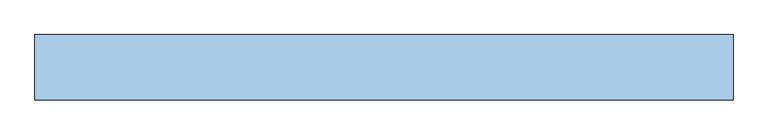
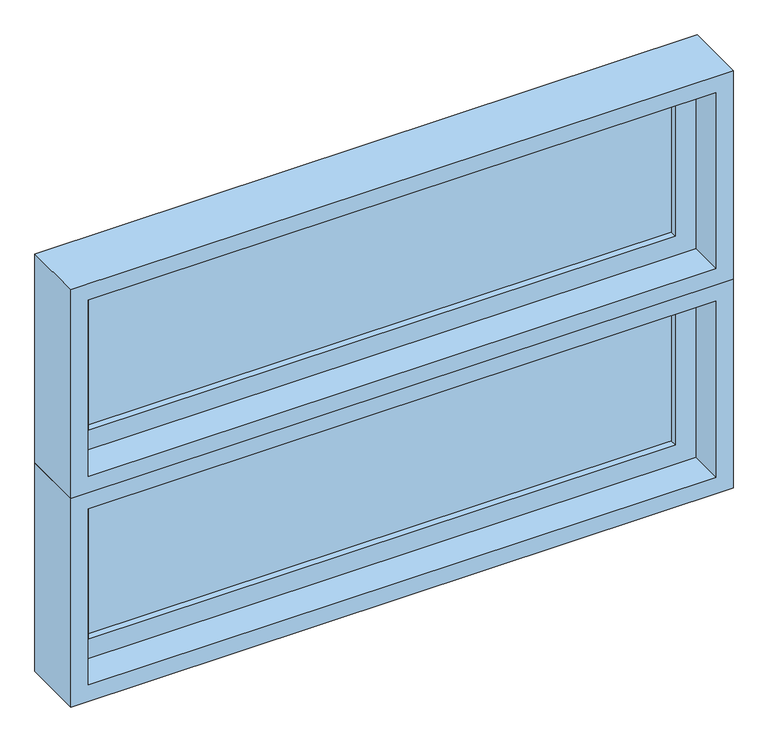
"""IFC4 building model written with IfcOpenShell, lengths in millimetres: window geometry."""

from ifc_helpers import new_model, si_unit, frame, origin, place, context, project, spatial, polyline, outline, extrude, faceted_brep, source, transform, mapped, element, save


def window_36a34620(model_context):
    return source(origin(), model_context, "Body", "SolidModel", [
        faceted_brep([(-2285.5781766, 42.8625, 1739.9), (-1091.7781766, 42.8625, 1739.9), (-1091.7781766, 93.6625, 1739.9), (-2285.5781766, 93.6625, 1739.9), (-2266.5281766, -20.6375, 1758.95), (-1110.8281766, -20.6375, 1758.95), (-1110.8281766, 42.8625, 1758.95), (-2266.5281766, 42.8625, 1758.95), (-2298.2781766, 93.6625, 1727.2), (-1079.0781766, 93.6625, 1727.2), (-1079.0781766, -20.6375, 1727.2), (-2298.2781766, -20.6375, 1727.2), (-1091.7781766, 42.8625, 2120.9), (-1091.7781766, 93.6625, 2120.9), (-1110.8281766, -20.6375, 2101.85), (-1110.8281766, 42.8625, 2101.85), (-1079.0781766, 93.6625, 2133.6), (-1079.0781766, -20.6375, 2133.6), (-2285.5781766, 42.8625, 2120.9), (-2285.5781766, 93.6625, 2120.9), (-2266.5281766, -20.6375, 2101.85), (-2266.5281766, 42.8625, 2101.85), (-2298.2781766, 93.6625, 2133.6), (-2298.2781766, -20.6375, 2133.6)], [[[0, 1, 2, 3]], [[4, 5, 6, 7]], [[8, 9, 10, 11]], [[1, 12, 13, 2]], [[5, 14, 15, 6]], [[9, 16, 17, 10]], [[12, 18, 19, 13]], [[14, 20, 21, 15]], [[16, 22, 23, 17]], [[9, 8, 22, 16], [3, 2, 13, 19]], [[18, 0, 3, 19]], [[1, 0, 18, 12], [7, 6, 15, 21]], [[20, 4, 7, 21]], [[11, 10, 17, 23], [5, 4, 20, 14]], [[22, 8, 11, 23]]]),
        extrude(outline(polyline([(-2228.4281766, 74.6125), (-1148.9281766, 74.6125), (-1148.9281766, 68.2625), (-2228.4281766, 68.2625), (-2228.4281766, 74.6125)])), frame((0.0, 0.0, 1797.05), z_axis=(0.0, 0.0, 1.0), x_axis=(1.0, 0.0, 0.0)), (0.0, 0.0, 1.0), 266.7),
        extrude(outline(polyline([(-2228.4281766, 61.9125), (-1148.9281766, 61.9125), (-1148.9281766, 55.5625), (-2228.4281766, 55.5625), (-2228.4281766, 61.9125)])), frame((0.0, 0.0, 1797.05), z_axis=(0.0, 0.0, 1.0), x_axis=(1.0, 0.0, 0.0)), (0.0, 0.0, 1.0), 266.7),
        extrude(outline(polyline([(1739.9, -1091.7781766), (2120.9, -1091.7781766), (2120.9, -2285.5781766), (1739.9, -2285.5781766), (1739.9, -1091.7781766)]), holes=[polyline([(2063.75, -1148.9281766), (1797.05, -1148.9281766), (1797.05, -2228.4281766), (2063.75, -2228.4281766), (2063.75, -1148.9281766)])]), frame((0.0, 42.8625, 0.0), z_axis=(0.0, 1.0, 0.0), x_axis=(0.0, 0.0, 1.0)), (0.0, 0.0, 1.0), 44.45),
        faceted_brep([(-2285.5781766, 42.8625, 1333.5), (-1091.7781766, 42.8625, 1333.5), (-1091.7781766, 93.6625, 1333.5), (-2285.5781766, 93.6625, 1333.5), (-2266.5281766, -20.6375, 1352.55), (-1110.8281766, -20.6375, 1352.55), (-1110.8281766, 42.8625, 1352.55), (-2266.5281766, 42.8625, 1352.55), (-2298.2781766, 93.6625, 1320.8), (-1079.0781766, 93.6625, 1320.8), (-1079.0781766, -20.6375, 1320.8), (-2298.2781766, -20.6375, 1320.8), (-1091.7781766, 42.8625, 1714.5), (-1091.7781766, 93.6625, 1714.5), (-1110.8281766, -20.6375, 1695.45), (-1110.8281766, 42.8625, 1695.45), (-1079.0781766, 93.6625, 1727.2), (-1079.0781766, -20.6375, 1727.2), (-2285.5781766, 42.8625, 1714.5), (-2285.5781766, 93.6625, 1714.5), (-2266.5281766, -20.6375, 1695.45), (-2266.5281766, 42.8625, 1695.45), (-2298.2781766, 93.6625, 1727.2), (-2298.2781766, -20.6375, 1727.2)], [[[0, 1, 2, 3]], [[4, 5, 6, 7]], [[8, 9, 10, 11]], [[1, 12, 13, 2]], [[5, 14, 15, 6]], [[9, 16, 17, 10]], [[12, 18, 19, 13]], [[14, 20, 21, 15]], [[16, 22, 23, 17]], [[9, 8, 22, 16], [3, 2, 13, 19]], [[18, 0, 3, 19]], [[1, 0, 18, 12], [7, 6, 15, 21]], [[20, 4, 7, 21]], [[11, 10, 17, 23], [5, 4, 20, 14]], [[22, 8, 11, 23]]]),
        extrude(outline(polyline([(-2228.4281766, 74.6125), (-1148.9281766, 74.6125), (-1148.9281766, 68.2625), (-2228.4281766, 68.2625), (-2228.4281766, 74.6125)])), frame((0.0, 0.0, 1390.65), z_axis=(0.0, 0.0, 1.0), x_axis=(1.0, 0.0, 0.0)), (0.0, 0.0, 1.0), 266.7),
        extrude(outline(polyline([(-2228.4281766, 61.9125), (-1148.9281766, 61.9125), (-1148.9281766, 55.5625), (-2228.4281766, 55.5625), (-2228.4281766, 61.9125)])), frame((0.0, 0.0, 1390.65), z_axis=(0.0, 0.0, 1.0), x_axis=(1.0, 0.0, 0.0)), (0.0, 0.0, 1.0), 266.7),
        extrude(outline(polyline([(1333.5, -1091.7781766), (1714.5, -1091.7781766), (1714.5, -2285.5781766), (1333.5, -2285.5781766), (1333.5, -1091.7781766)]), holes=[polyline([(1657.35, -1148.9281766), (1390.65, -1148.9281766), (1390.65, -2228.4281766), (1657.35, -2228.4281766), (1657.35, -1148.9281766)])]), frame((0.0, 42.8625, 0.0), z_axis=(0.0, 1.0, 0.0), x_axis=(0.0, 0.0, 1.0)), (0.0, 0.0, 1.0), 44.45),
    ])


if __name__ == "__main__":
    model = new_model("IFC4")
    model_context = context("Model", 3, world=origin())
    ifc_project = project(units=[si_unit("LENGTHUNIT", "METRE", prefix="MILLI")], contexts=[model_context])
    site = spatial("IfcSite", under=ifc_project)
    building = spatial("IfcBuilding", under=site)
    placement = place(None, origin())
    window_shape = window_36a34620(model_context)
    element("IfcWindow", 1, at=placement, inside=building, context=model_context, shape_type="MappedRepresentation", body=[
        mapped(window_shape, transform((0.0, 0.0, 0.0), x_axis=(1.0, 0.0, 0.0), y_axis=(0.0, 1.0, 0.0), z_axis=(0.0, 0.0, 1.0))),
    ])
    save(model, "model.ifc")
